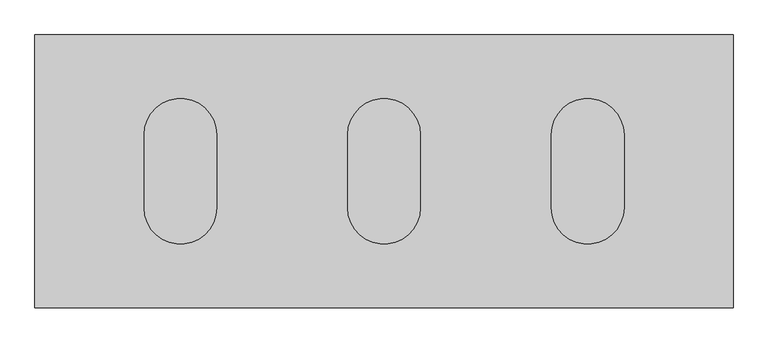
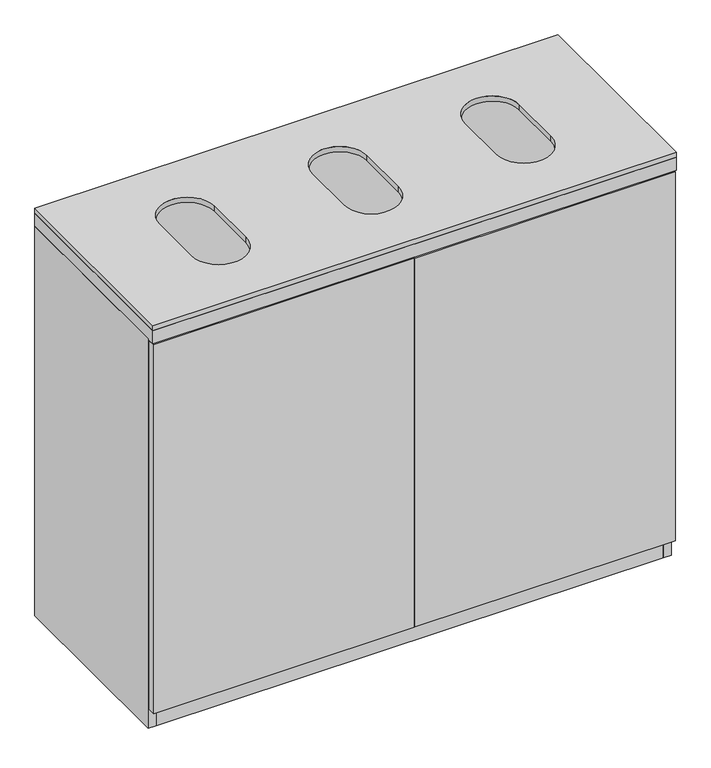
"""IFC4 building model written with IfcOpenShell, lengths in millimetres: furniture geometry."""

from ifc_helpers import new_model, si_unit, point, frame, frame_2d, origin, origin_with_axes, place, context, project, spatial, polyline, circle_curve, trimmed, segment, composite_curve, outline, extrude, faceted_brep, source, transform, mapped, element, save


def furniture_2a1f4c88(model_context):
    return source(origin(), model_context, "Body", "SolidModel", [
        extrude(outline(polyline([(1.5875, -476.25), (1.5875, -457.2), (608.0125, -457.2), (608.0125, -476.25), (1.5875, -476.25)])), frame((0.0, 0.0, 47.625), z_axis=(0.0, 0.0, 1.0), x_axis=(1.0, 0.0, 0.0)), (0.0, 0.0, 1.0), 908.05),
        extrude(outline(polyline([(-1.5875, -476.25), (-608.0125, -476.25), (-608.0125, -457.2), (-1.5875, -457.2), (-1.5875, -476.25)])), frame((0.0, 0.0, 47.625), z_axis=(0.0, 0.0, 1.0), x_axis=(1.0, 0.0, 0.0)), (0.0, 0.0, 1.0), 908.05),
        extrude(outline(polyline([(590.55, -19.05), (-590.55, -19.05), (-590.55, 0.0), (590.55, 0.0), (590.55, -19.05)])), origin_with_axes(), (0.0, 0.0, 1.0), 958.85),
        faceted_brep([(-609.6, 0.0, 958.85), (-609.6, -457.2, 958.85), (-590.55, -457.2, 958.85), (-590.55, -19.05, 958.85), (-590.55, 0.0, 958.85), (-609.6, 0.0, 0.0), (-590.55, 0.0, 0.0), (-590.55, -457.2, 0.0), (-609.6, -457.2, 0.0), (-590.55, -457.2, 895.35)], [[[0, 1, 2, 3, 4]], [[5, 6, 7, 8]], [[1, 0, 5, 8]], [[2, 1, 8, 7, 9]], [[7, 6, 4, 3, 2, 9]], [[0, 4, 6, 5]]]),
        faceted_brep([(609.6, -457.2, 958.85), (609.6, 0.0, 958.85), (590.55, 0.0, 958.85), (590.55, -19.05, 958.85), (590.55, -457.2, 958.85), (609.6, -457.2, 0.0), (590.55, -457.2, 0.0), (590.55, 0.0, 0.0), (609.6, 0.0, 0.0), (590.55, -457.2, 895.35)], [[[0, 1, 2, 3, 4]], [[5, 6, 7, 8]], [[1, 0, 5, 8]], [[7, 6, 9, 4, 3, 2]], [[0, 4, 9, 6, 5]], [[2, 1, 8, 7]]]),
        extrude(outline(polyline([(609.6, 0.0), (609.6, -476.25), (-609.6, -476.25), (-609.6, 0.0), (609.6, 0.0)]), holes=[polyline([(590.55, -19.05), (-590.55, -19.05), (-590.55, -457.2), (590.55, -457.2), (590.55, -19.05)])]), frame((0.0, 0.0, 958.85), z_axis=(0.0, 0.0, 1.0), x_axis=(1.0, 0.0, 0.0)), (0.0, 0.0, 1.0), 31.75),
        extrude(outline(polyline([(609.6, 0.0), (609.6, -476.25), (-609.6, -476.25), (-609.6, 0.0), (609.6, 0.0)]), holes=[composite_curve([segment(polyline([(-419.1, -174.625), (-419.1, -301.625)]), True, "CONTINUOUS"), segment(trimmed(circle_curve(frame_2d((-355.6, -301.625)), 63.5), [point((-419.1, -301.625))], [point((-292.1, -301.625))], True, "CARTESIAN"), True, "CONTINUOUS"), segment(polyline([(-292.1, -301.625), (-292.1, -174.625)]), True, "CONTINUOUS"), segment(trimmed(circle_curve(frame_2d((-355.6, -174.625)), 63.5), [point((-292.1, -174.625))], [point((-419.1, -174.625))], True, "CARTESIAN"), True, "CONTINUOUS")], self_intersect=False), composite_curve([segment(polyline([(-63.5, -174.625), (-63.5, -301.625)]), True, "CONTINUOUS"), segment(trimmed(circle_curve(frame_2d((0.0, -301.625)), 63.5), [point((-63.5, -301.625))], [point((63.5, -301.625))], True, "CARTESIAN"), True, "CONTINUOUS"), segment(polyline([(63.5, -301.625), (63.5, -174.625)]), True, "CONTINUOUS"), segment(trimmed(circle_curve(frame_2d((0.0, -174.625)), 63.5), [point((63.5, -174.625))], [point((-63.5, -174.625))], True, "CARTESIAN"), True, "CONTINUOUS")], self_intersect=False), composite_curve([segment(polyline([(292.1, -174.625), (292.1, -301.625)]), True, "CONTINUOUS"), segment(trimmed(circle_curve(frame_2d((355.6, -301.625)), 63.5), [point((292.1, -301.625))], [point((419.1, -301.625))], True, "CARTESIAN"), True, "CONTINUOUS"), segment(polyline([(419.1, -301.625), (419.1, -174.625)]), True, "CONTINUOUS"), segment(trimmed(circle_curve(frame_2d((355.6, -174.625)), 63.5), [point((419.1, -174.625))], [point((292.1, -174.625))], True, "CARTESIAN"), True, "CONTINUOUS")], self_intersect=False)]), frame((0.0, 0.0, 990.6), z_axis=(0.0, 0.0, 1.0), x_axis=(1.0, 0.0, 0.0)), (0.0, 0.0, 1.0), 12.7),
        extrude(outline(polyline([(590.55, -19.05), (590.55, -457.2), (-590.55, -457.2), (-590.55, -19.05), (590.55, -19.05)])), origin_with_axes(), (0.0, 0.0, 1.0), 47.625),
    ])


if __name__ == "__main__":
    model = new_model("IFC4")
    model_context = context("Model", 3, world=origin())
    ifc_project = project(units=[si_unit("LENGTHUNIT", "METRE", prefix="MILLI")], contexts=[model_context])
    site = spatial("IfcSite", under=ifc_project)
    building = spatial("IfcBuilding", under=site)
    placement = place(None, origin())
    furniture_shape = furniture_2a1f4c88(model_context)
    element("IfcFurniture", 1, at=placement, inside=building, context=model_context, shape_type="MappedRepresentation", body=[
        mapped(furniture_shape, transform((0.0, 0.0, 0.0), x_axis=(1.0, 0.0, 0.0), y_axis=(0.0, 1.0, 0.0), z_axis=(0.0, 0.0, 1.0))),
    ])
    save(model, "model.ifc")
